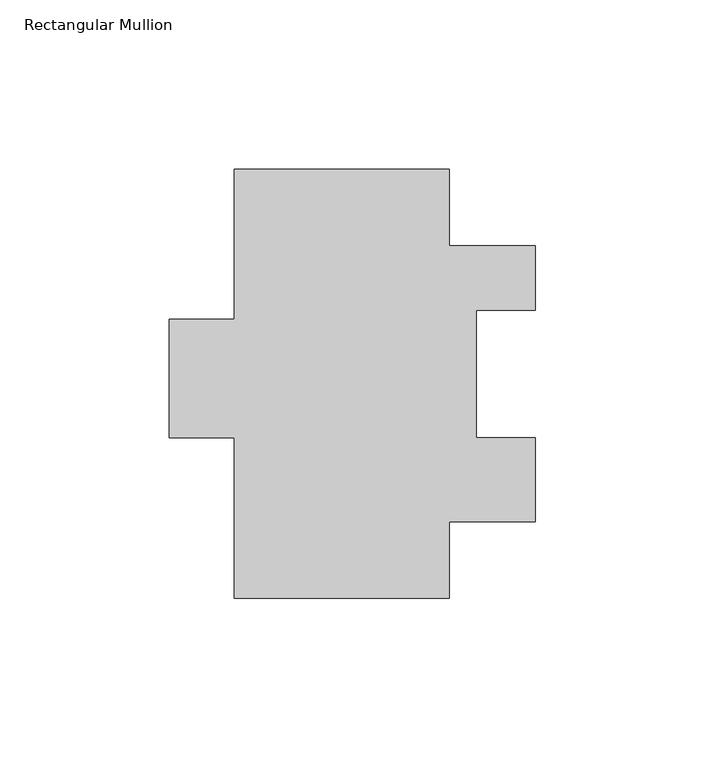
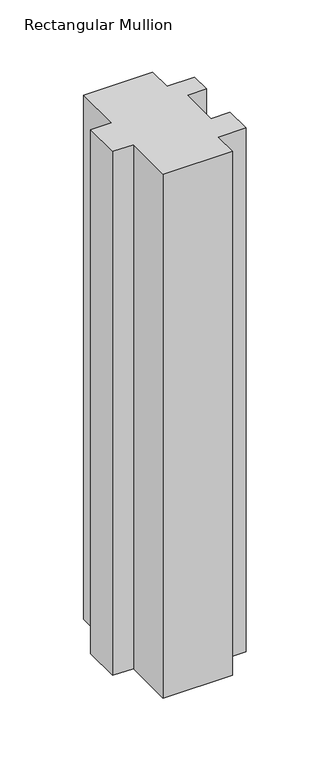
"""IFC4 building model written with IfcOpenShell, lengths in millimetres: member geometry, Rectangular Mullion."""

from ifc_helpers import new_model, si_unit, frame, origin, place, context, project, spatial, polyline, outline, extrude, source, transform, mapped, element, save


def rectangular_mullion_07308b6d(model_context):
    return source(origin(), model_context, "Body", "SweptSolid", [
        extrude(outline(polyline([(-63.5, 133.1952188), (0.0, 133.1952188), (0.0, 110.6400188), (25.4, 110.6400188), (25.4, 91.5900188), (7.9248, 91.5900188), (7.9248, 54.0742188), (25.4, 54.0742187), (25.4, 29.2584188), (0.0, 29.2584188), (0.0, 6.7032188), (-63.5, 6.7032188), (-63.5, 54.0742187), (-82.55, 54.0742187), (-82.55, 88.9992188), (-63.5, 88.9992187), (-63.5, 133.1952188)])), frame((0.0, 0.0, -508.0), z_axis=(0.0, 0.0, 1.0), x_axis=(1.0, 0.0, 0.0)), (0.0, 0.0, 1.0), 508.0),
    ])


if __name__ == "__main__":
    model = new_model("IFC4")
    model_context = context("Model", 3, world=origin())
    ifc_project = project(units=[si_unit("LENGTHUNIT", "METRE", prefix="MILLI")], contexts=[model_context])
    site = spatial("IfcSite", under=ifc_project)
    building = spatial("IfcBuilding", under=site)
    placement = place(None, origin())
    rectangular_mullion_shape = rectangular_mullion_07308b6d(model_context)
    element("IfcMember", 1, ObjectType="Rectangular Mullion", at=placement, inside=building, context=model_context, shape_type="MappedRepresentation", body=[
        mapped(rectangular_mullion_shape, transform((0.0, 0.0, 0.0), x_axis=(1.0, 0.0, 0.0), y_axis=(0.0, 1.0, 0.0), z_axis=(0.0, 0.0, 1.0))),
    ])
    save(model, "model.ifc")
